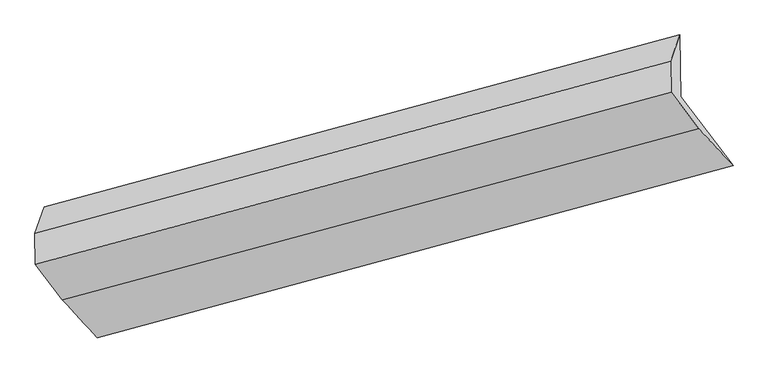
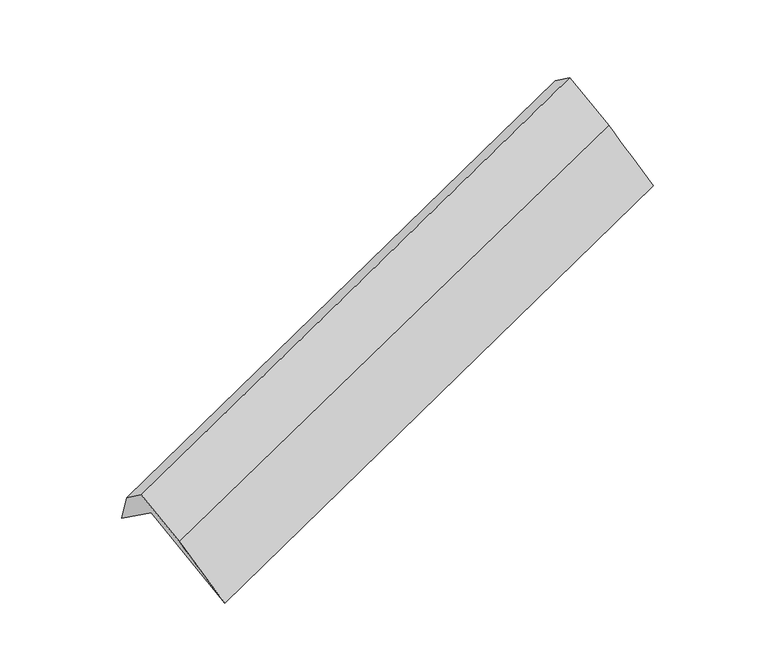
"""IFC4 building model written with IfcOpenShell, lengths in millimetres: proxy geometry."""

from ifc_helpers import new_model, si_unit, frame, origin, place, context, project, spatial, source, transform, mapped, element, save
from ifc_brep_helpers import plane_surface, spline_surface, advanced_brep


def generic_models_af54671d(model_context):
    return source(origin(), model_context, "Body", "AdvancedBrep", [
        advanced_brep(
        [(-6189.8449464, -2388.8833009, 1021.4772826), (-6199.5252034, -1757.574326, 564.2069543), (289.9910847, 3.8288365, 2858.6253203), (299.6713417, -627.4801384, 3315.8956486), (-6292.8330893, -2026.8282676, 1036.9657464), (196.6831988, -265.4251051, 3331.3841125), (-6287.9899371, -2342.6799515, 1265.7437441), (201.526351, -581.2767891, 3560.1621102), (-6014.3119806, -2703.0472362, 762.4257727), (483.2914091, -952.292819, 3041.9712435), (-5654.2028395, -3094.1936377, 36.3840651), (835.3134487, -1332.7904752, 2330.8024312)],
        [
            (0, 1),
            (1, 2),
            (2, 3),
            (3, 0),
            (1, 4),
            (4, 5),
            (5, 2),
            (4, 6),
            (6, 7),
            (7, 5),
            (6, 8),
            (8, 9),
            (9, 7),
            (8, 10),
            (10, 11),
            (11, 9),
            (10, 0),
            (3, 11),
        ],
        [
            plane_surface(frame((-6194.6850749, -2073.2288135, 792.8421185), z_axis=(0.40692777909371214, -0.5317415180249674, -0.7427386758546795), x_axis=(-0.012417313937457871, 0.8098092579787919, -0.586561826243762))),
            plane_surface(frame((-6246.1791464, -1892.2012968, 800.5863504), z_axis=(-0.36984144943481667, 0.8368445345698415, 0.40361928502059896), x_axis=(-0.169035769413725, -0.48777814158321925, 0.8564457911930743))),
            plane_surface(frame((-6290.4115132, -2184.7541096, 1151.3547453), z_axis=(-0.40692777909371375, 0.5317415180249678, 0.7427386758546783), x_axis=(0.012417313937457949, -0.8098092579787912, 0.586561826243763))),
            plane_surface(frame((-6151.1509588, -2522.8635939, 1014.0847584), z_axis=(0.012417313937457597, -0.809809257978792, 0.5865618262437623), x_axis=(0.4043550797420877, -0.5324372631699098, -0.7436447608064662))),
            spline_surface(1, 1, [[(-6014.3119806, -2703.0472362, 762.4257727), (483.2914091, -952.292819, 3041.9712435)], [(-5654.2028395, -3094.1936377, 36.3840651), (835.3134487, -1332.7904752, 2330.8024312)]], [2, 2], [2, 2], [0.0, 1.0], [0.0, 1.0]),
            plane_surface(frame((-5922.0238929, -2741.5384693, 528.9306739), z_axis=(-0.012417313937455599, 0.8098092579787881, -0.5865618262437674), x_axis=(-0.4043550797420903, 0.5324372631699145, 0.7436447608064615))),
            plane_surface(frame((384.4128057, -625.9060817, 3073.1401444), z_axis=(0.9145177853936716, 0.2464133244773764, 0.3208390464370907), x_axis=(0.40000979116345414, -0.4323672125337229, -0.8081155613519568))),
            plane_surface(frame((-6106.4513327, -2385.5344533, 781.2005942), z_axis=(-0.914517785393675, -0.24641332447727476, -0.32083904643715955), x_axis=(0.40435507974208623, -0.5324372631699092, -0.7436447608064672))),
        ],
        [
            (0, [[1, 2, 3, 4]]),
            (1, [[5, 6, 7, -2]]),
            (2, [[8, 9, 10, -6]]),
            (3, [[11, 12, 13, -9]]),
            (4, [[14, 15, 16, -12]]),
            (5, [[17, -4, 18, -15]]),
            (6, [[-16, -18, -3, -7, -10, -13]]),
            (7, [[-17, -14, -11, -8, -5, -1]]),
        ],
    ),
    ])


if __name__ == "__main__":
    model = new_model("IFC4")
    model_context = context("Model", 3, world=origin())
    ifc_project = project(units=[si_unit("LENGTHUNIT", "METRE", prefix="MILLI")], contexts=[model_context])
    site = spatial("IfcSite", under=ifc_project)
    building = spatial("IfcBuilding", under=site)
    placement = place(None, origin())
    generic_models_shape = generic_models_af54671d(model_context)
    element("IfcBuildingElementProxy", 1, Name="Generic Models", at=placement, inside=building, context=model_context, shape_type="MappedRepresentation", body=[
        mapped(generic_models_shape, transform((0.0, 0.0, 0.0), x_axis=(1.0, 0.0, 0.0), y_axis=(0.0, 1.0, 0.0), z_axis=(0.0, 0.0, 1.0))),
    ])
    save(model, "model.ifc")
